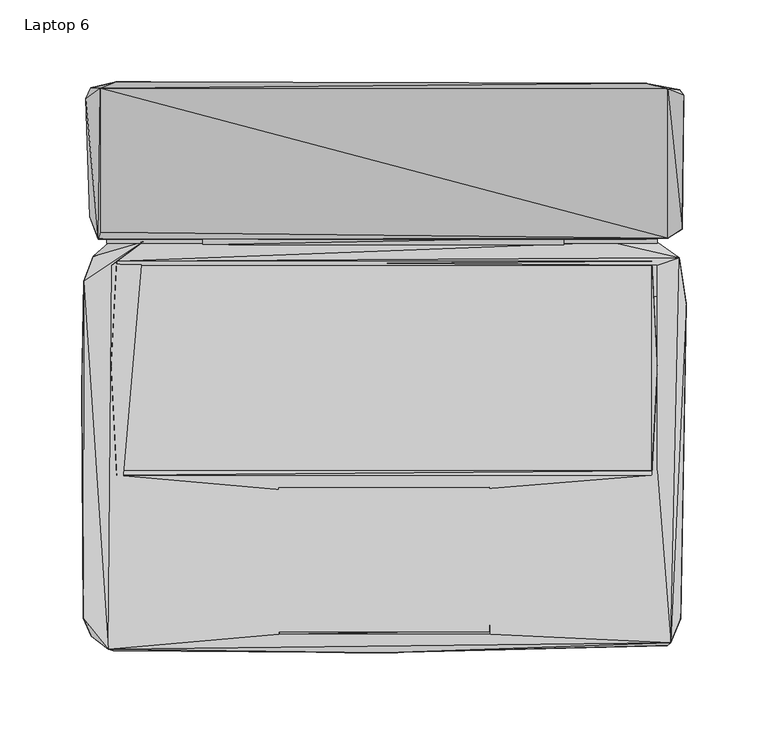
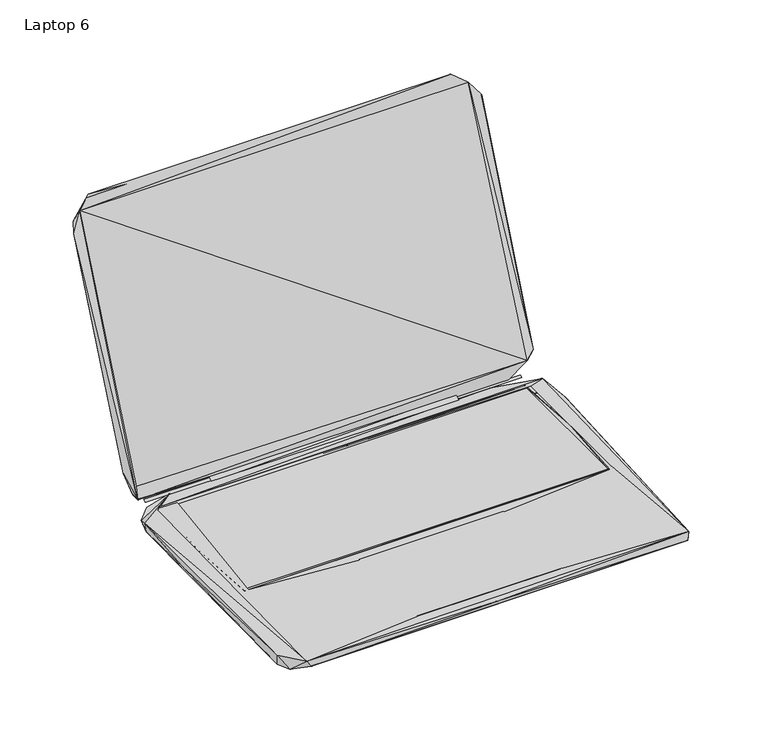
"""IFC4 building model written with IfcOpenShell, lengths in millimetres: furniture geometry, Laptop 6."""

from ifc_helpers import new_model, si_unit, origin, place, context, project, spatial, triangles, source, transform, mapped, element, save


def laptop_6_2d59840e(model_context):
    return source(origin(), model_context, "Body", "Tessellation", [
        triangles([(-110.8121951, 74.6278167, 10.6596248), (109.6013587, 74.6277713, 10.6596248), (109.7013526, 79.0277707, 13.559625), (-110.8121951, 79.1278191, 13.559625), (-177.7495065, 67.5618418, 1.9875597), (-147.0630801, 76.4618481, 11.2875593), (-168.0495172, 76.0618453, 5.7875595), (179.8283585, 64.0617829, 1.3875597), (-175.7495195, 83.7618386, 15.6875588), (179.7283646, 88.3617849, 24.887557), (153.6283589, 77.661784, 9.9875603), (-174.5495019, 78.1618443, 13.8875596), (-173.4495146, 82.3618423, 23.5875592), (-173.4494964, 170.083768, 230.6309262), (173.2283617, 78.5617835, 23.5875592), (-182.3494801, 163.783771, 215.930915), (-169.4495044, 75.7618454, 11.0875602), (166.7283587, 75.7617864, 11.0875602), (-169.4495044, 78.1618443, 12.3875592), (166.7283587, 78.1617807, 12.3875592), (138.5419342, 76.3617906, 10.7875592), (166.8283708, 76.2617786, 5.8875596), (-166.3495119, 62.0618459, 11.38756), (-163.1495074, 64.7618401, 11.38756), (-163.1495074, 62.1618489, 10.6875596), (163.4283603, 64.761781, 11.38756), (166.7283587, 62.1617898, 11.4875596), (180.1283584, 66.7617861, 11.1875598), (163.4283603, 62.1617898, 10.6875596), (181.8283636, 84.2617808, 27.087559), (173.2283798, 169.9837196, 230.7309201), (183.0283812, 165.9837094, 217.9309201), (180.4283764, 169.2837078, 219.6309072), (-179.2494876, 170.3837678, 222.6309239), (-163.4494891, 174.0837782, 240.2309216), (159.4283682, 173.283718, 240.9309152), (-183.6495461, -153.3039419, 10.6875596), (-182.5495587, -150.8039401, 0.2875598), (-178.8495665, -164.2039307, 2.0875598), (-168.3495533, -172.3039268, 11.1875598), (-184.5495275, -12.9600783, 6.4875599), (-183.3495099, 52.5508803, 10.0875599), (-180.949511, 54.1508826, 0.2875598), (180.9283277, -153.7039902, 0.3875598), (-165.1495488, -173.3039384, 5.9875598), (172.9283255, -170.0039945, 4.2875599), (-0.1173927, -174.3039682, 9.9875603), (-64.3902648, -163.2039554, 11.4875596), (-62.6902505, -74.8820209, 10.9875595), (174.8283185, -168.4040013, 11.2875593), (64.6690223, -163.2039917, 11.4875596), (-166.549536, -63.3820051, 11.4875596), (-162.9495559, -66.0820084, 11.4875596), (-64.3902648, -161.80395, 11.0875602), (64.2690286, -161.7039742, 11.0875602), (64.0690408, -73.4820518, 11.0875602), (-64.4902451, -73.582023, 11.0875602), (-63.4902653, -159.803963, 10.9875595), (62.0690266, -161.1039745, 10.9875595), (62.1690432, -74.18205, 10.9875595), (184.3283564, 38.5508173, 8.7875592), (163.4283421, -66.0820674, 11.4875596), (166.7283405, -63.3820687, 11.4875596), (182.5283572, 42.6508169, 0.1875598), (-163.1495437, -66.0820084, 11.38756), (163.4283421, -63.3820687, 10.6875596), (-163.1495437, -63.3820051, 10.6875596), (-166.5495179, 0.5399174, 11.38756), (166.7283405, -1.7601418, 11.38756), (-179.8495055, 91.6618469, 32.1875588)], [[1, 2, 3], [1, 3, 4], [5, 6, 7], [5, 7, 8], [9, 10, 11], [9, 11, 12], [12, 13, 14], [12, 11, 15], [12, 15, 13], [12, 14, 16], [17, 18, 19], [19, 18, 20], [7, 6, 21], [7, 21, 22], [7, 22, 8], [23, 24, 6], [24, 25, 26], [24, 21, 6], [24, 27, 28], [24, 28, 21], [25, 29, 26], [21, 28, 22], [11, 30, 15], [11, 10, 30], [22, 28, 8], [15, 30, 31], [10, 32, 30], [10, 33, 32], [30, 32, 31], [16, 14, 34], [34, 35, 33], [34, 14, 35], [14, 36, 35], [14, 31, 36], [35, 36, 33], [36, 31, 33], [31, 32, 33], [37, 38, 39], [37, 39, 40], [37, 41, 38], [37, 42, 41], [37, 40, 42], [38, 41, 43], [38, 44, 39], [38, 43, 44], [39, 45, 40], [39, 46, 45], [39, 44, 46], [40, 23, 6], [40, 45, 47], [40, 48, 49], [40, 47, 50], [40, 51, 48], [40, 50, 51], [40, 52, 23], [40, 53, 52], [40, 49, 53], [40, 6, 42], [45, 46, 47], [54, 55, 56], [54, 56, 57], [48, 58, 49], [48, 59, 58], [48, 51, 59], [47, 46, 50], [51, 50, 60], [46, 44, 50], [50, 61, 28], [50, 44, 61], [50, 62, 60], [50, 63, 62], [50, 27, 63], [50, 28, 27], [44, 64, 61], [44, 43, 64], [65, 66, 67], [65, 62, 66], [65, 67, 68], [67, 25, 68], [53, 49, 60], [53, 60, 62], [66, 62, 69], [66, 69, 29], [41, 42, 43], [68, 25, 24], [69, 26, 29], [42, 5, 43], [42, 6, 5], [43, 5, 8], [43, 8, 64], [64, 8, 61], [61, 8, 28], [70, 9, 12], [70, 12, 16], [70, 10, 9], [70, 34, 33], [70, 33, 10], [70, 16, 34]], closed=False),
        triangles([(-163.1627697, -63.4160783, 10.6379669), (163.3643562, -63.4161373, 10.6379669), (-163.1627333, 62.2339829, 10.6379669), (163.3643744, 62.2339239, 10.6379669)], [[1, 2, 3], [2, 4, 3]], closed=False),
        triangles([(-173.4428471, 82.3396143, 23.5443364), (173.2898041, 78.5395556, 23.5443364), (-173.4428289, 170.1375438, 230.6010043), (173.2898223, 169.9374833, 230.6010043)], [[1, 2, 3], [2, 4, 3]], closed=False),
    ])


if __name__ == "__main__":
    model = new_model("IFC4")
    model_context = context("Model", 3, world=origin())
    ifc_project = project(units=[si_unit("LENGTHUNIT", "METRE", prefix="MILLI")], contexts=[model_context])
    site = spatial("IfcSite", under=ifc_project)
    building = spatial("IfcBuilding", under=site)
    placement = place(None, origin())
    laptop_6_shape = laptop_6_2d59840e(model_context)
    element("IfcFurniture", 1, ObjectType="Laptop 6", at=placement, inside=building, context=model_context, shape_type="MappedRepresentation", body=[
        mapped(laptop_6_shape, transform((0.0, 0.0, 0.0), x_axis=(1.0, 0.0, 0.0), y_axis=(0.0, 1.0, 0.0), z_axis=(0.0, 0.0, 1.0))),
    ])
    save(model, "model.ifc")
